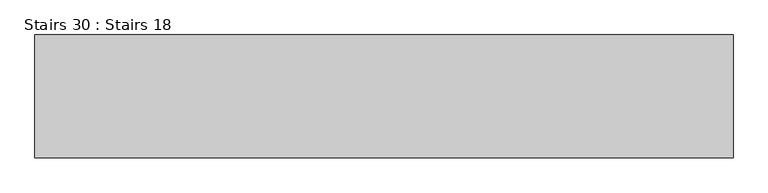
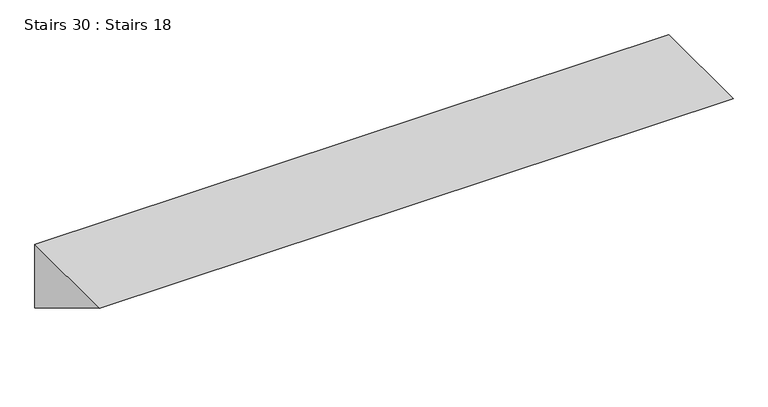
"""IFC4 building model written with IfcOpenShell, lengths in millimetres: stair geometry, Stairs 30 : Stairs 18."""

from ifc_helpers import new_model, si_unit, frame, origin, place, context, project, spatial, polyline, outline, extrude, source, transform, mapped, element, save


def stairs_30_stairs_18_b2fd4f64(model_context):
    return source(origin(), model_context, "Body", "SweptSolid", [
        extrude(outline(polyline([(-6184.0672499, 4700.0), (-6184.0672499, 4548.23577), (-6436.0078689, 4700.0), (-6184.0672499, 4700.0)])), frame((-30695.6912908, 0.0, 0.0), z_axis=(1.0, 0.0, 0.0), x_axis=(0.0, 1.0, 0.0)), (0.0, 0.0, 1.0), 1430.0),
    ])


if __name__ == "__main__":
    model = new_model("IFC4")
    model_context = context("Model", 3, world=origin())
    ifc_project = project(units=[si_unit("LENGTHUNIT", "METRE", prefix="MILLI")], contexts=[model_context])
    site = spatial("IfcSite", under=ifc_project)
    building = spatial("IfcBuilding", under=site)
    placement = place(None, origin())
    stairs_30_stairs_18_shape = stairs_30_stairs_18_b2fd4f64(model_context)
    element("IfcStair", 1, ObjectType="Stairs 30 : Stairs 18", at=placement, inside=building, context=model_context, shape_type="MappedRepresentation", body=[
        mapped(stairs_30_stairs_18_shape, transform((0.0, 0.0, 0.0), x_axis=(1.0, 0.0, 0.0), y_axis=(0.0, 1.0, 0.0), z_axis=(0.0, 0.0, 1.0))),
    ])
    save(model, "model.ifc")
